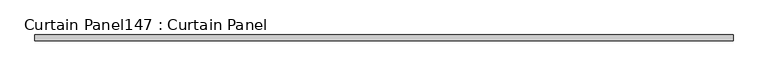
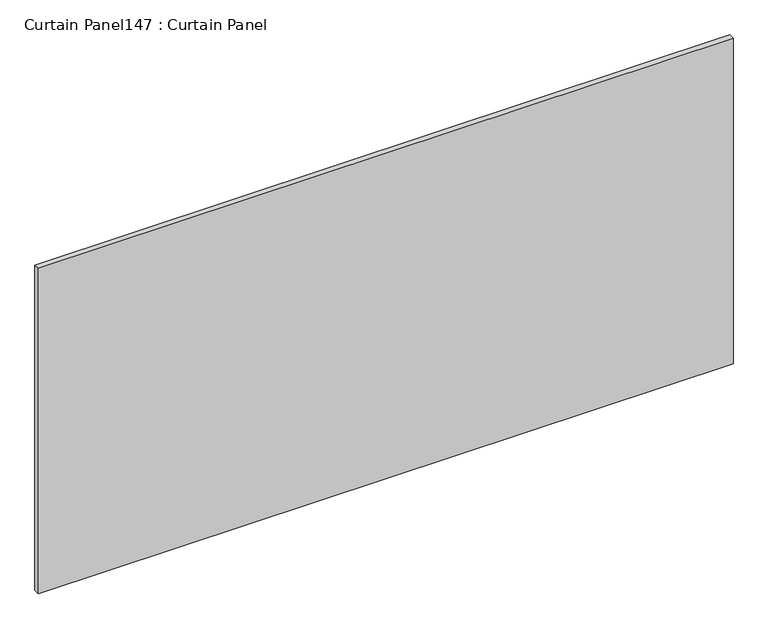
"""IFC4 building model written with IfcOpenShell, lengths in millimetres: plate geometry, Curtain Panel147 : Curtain Panel."""

from ifc_helpers import new_model, si_unit, frame, origin, place, context, project, spatial, polyline, outline, extrude, source, transform, mapped, element, save


def curtain_panel147_curtain_panel_2b70b298(model_context):
    return source(origin(), model_context, "Body", "SweptSolid", [
        extrude(outline(polyline([(390583.8312536, 2292.6839321), (387535.8312536, 2292.6839321), (387535.8312536, 2318.0839321), (390583.8312536, 2318.0839321), (390583.8312536, 2292.6839321)])), frame((0.0, 0.0, 8558.370901), z_axis=(0.0, 0.0, 1.0), x_axis=(1.0, 0.0, 0.0)), (0.0, 0.0, 1.0), 1509.3839744),
    ])


if __name__ == "__main__":
    model = new_model("IFC4")
    model_context = context("Model", 3, world=origin())
    ifc_project = project(units=[si_unit("LENGTHUNIT", "METRE", prefix="MILLI")], contexts=[model_context])
    site = spatial("IfcSite", under=ifc_project)
    building = spatial("IfcBuilding", under=site)
    placement = place(None, origin())
    curtain_panel147_curtain_panel_shape = curtain_panel147_curtain_panel_2b70b298(model_context)
    element("IfcPlate", 1, ObjectType="Curtain Panel147 : Curtain Panel", at=placement, inside=building, context=model_context, shape_type="MappedRepresentation", body=[
        mapped(curtain_panel147_curtain_panel_shape, transform((0.0, 0.0, 0.0), x_axis=(1.0, 0.0, 0.0), y_axis=(0.0, 1.0, 0.0), z_axis=(0.0, 0.0, 1.0))),
    ])
    save(model, "model.ifc")
